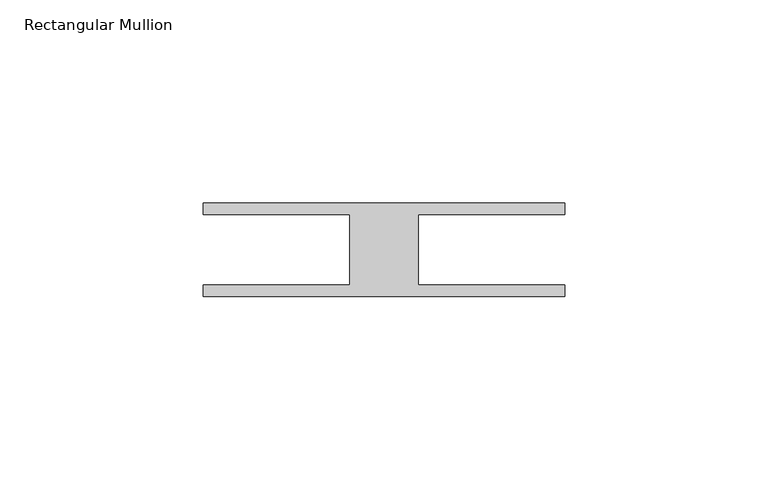
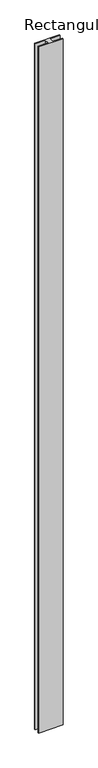
"""IFC4 building model written with IfcOpenShell, lengths in millimetres: member geometry, Rectangular Mullion."""

from ifc_helpers import new_model, si_unit, frame, origin, place, context, project, spatial, polyline, outline, extrude, source, transform, mapped, element, save


def rectangular_mullion_ef2b0f2f(model_context):
    return source(origin(), model_context, "Body", "SweptSolid", [
        extrude(outline(polyline([(-44.4500014, 11.509375), (44.45, 11.509375), (44.45, 8.7093763), (8.4500003, 8.7093763), (8.4500003, -8.7093763), (44.45, -8.7093763), (44.45, -11.509375), (-44.4500014, -11.509375), (-44.4500014, -8.7093763), (-8.4500003, -8.7093763), (-8.4500003, 8.7093763), (-44.4500014, 8.7093763), (-44.4500014, 11.509375)])), frame((0.0, 0.0, -2616.2), z_axis=(0.0, 0.0, 1.0), x_axis=(1.0, 0.0, 0.0)), (0.0, 0.0, 1.0), 2616.2),
    ])


if __name__ == "__main__":
    model = new_model("IFC4")
    model_context = context("Model", 3, world=origin())
    ifc_project = project(units=[si_unit("LENGTHUNIT", "METRE", prefix="MILLI")], contexts=[model_context])
    site = spatial("IfcSite", under=ifc_project)
    building = spatial("IfcBuilding", under=site)
    placement = place(None, origin())
    rectangular_mullion_shape = rectangular_mullion_ef2b0f2f(model_context)
    element("IfcMember", 1, ObjectType="Rectangular Mullion", at=placement, inside=building, context=model_context, shape_type="MappedRepresentation", body=[
        mapped(rectangular_mullion_shape, transform((0.0, 0.0, 0.0), x_axis=(1.0, 0.0, 0.0), y_axis=(0.0, 1.0, 0.0), z_axis=(0.0, 0.0, 1.0))),
    ])
    save(model, "model.ifc")
